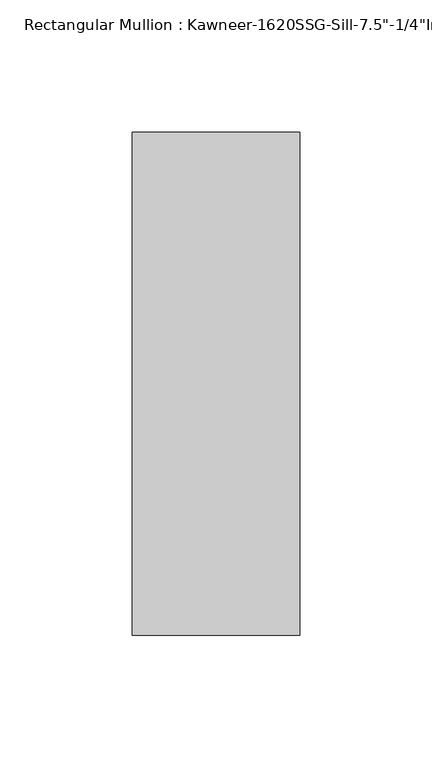
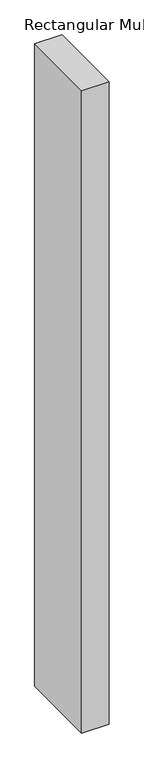
"""IFC4 building model written with IfcOpenShell, lengths in millimetres: member geometry."""

from ifc_helpers import new_model, si_unit, frame, origin, place, context, project, spatial, polyline, outline, extrude, source, transform, mapped, element, save


def member_4317df21(model_context):
    return source(origin(), model_context, "Body", "SweptSolid", [
        extrude(outline(polyline([(-63.5, 28.575), (0.0, 28.575), (0.0, -161.925), (-63.5, -161.925), (-63.5, 28.575)])), frame((0.0, 0.0, -1587.5), z_axis=(0.0, 0.0, 1.0), x_axis=(1.0, 0.0, 0.0)), (0.0, 0.0, 1.0), 1587.5),
    ])


if __name__ == "__main__":
    model = new_model("IFC4")
    model_context = context("Model", 3, world=origin())
    ifc_project = project(units=[si_unit("LENGTHUNIT", "METRE", prefix="MILLI")], contexts=[model_context])
    site = spatial("IfcSite", under=ifc_project)
    building = spatial("IfcBuilding", under=site)
    placement = place(None, origin())
    member_shape = member_4317df21(model_context)
    element("IfcMember", 1, ObjectType="Rectangular Mullion : Kawneer-1620SSG-Sill-7.5\"-1/4\"Infill", at=placement, inside=building, context=model_context, shape_type="MappedRepresentation", body=[
        mapped(member_shape, transform((0.0, 0.0, 0.0), x_axis=(1.0, 0.0, 0.0), y_axis=(0.0, 1.0, 0.0), z_axis=(0.0, 0.0, 1.0))),
    ])
    save(model, "model.ifc")
